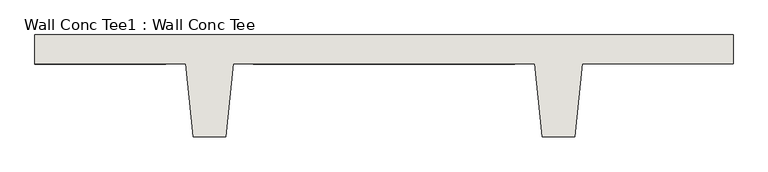
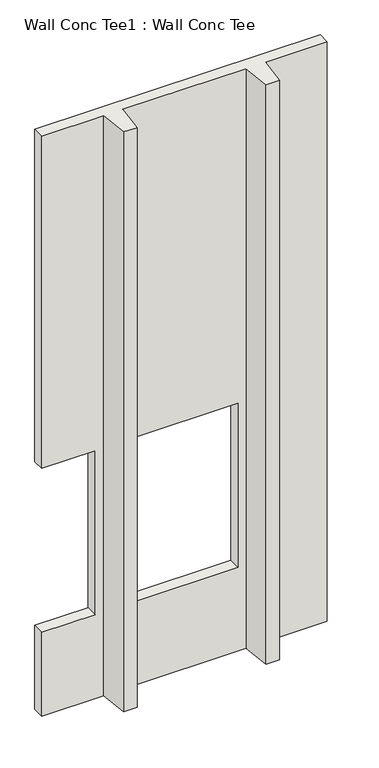
"""IFC4 building model written with IfcOpenShell, lengths in millimetres: wall geometry, Wall Conc Tee1 : Wall Conc Tee."""

from ifc_helpers import new_model, si_unit, origin, place, context, project, spatial, faceted_brep, source, transform, mapped, element, save


def wall_conc_tee1_wall_conc_tee_c948e8d9(model_context):
    return source(origin(), model_context, "Body", "Brep", [
        faceted_brep([(210173.0728488, 159042.8596581, 5376.1679688), (207734.6728488, 159042.8596581, 5376.1679688), (207734.6728488, 158941.2596581, 5376.1679688), (208261.7228488, 158941.2596581, 5376.1679688), (208287.1228488, 158687.2596581, 5376.1679688), (208401.4228488, 158687.2596581, 5376.1679688), (208426.8228488, 158941.2596581, 5376.1679688), (209480.9228488, 158941.2596581, 5376.1679688), (209506.3228488, 158687.2596581, 5376.1679688), (209620.6228488, 158687.2596581, 5376.1679688), (209646.0228488, 158941.2596581, 5376.1679688), (210173.0728488, 158941.2596581, 5376.1679688), (210173.0728488, 159042.8596581, 143.7592564), (210173.0728488, 158941.2596581, 143.7592564), (209646.0228488, 158941.2596581, 143.7592564), (209620.6228488, 158687.2596581, 143.7592564), (209506.3228488, 158687.2596581, 143.7592564), (209480.9228488, 158941.2596581, 143.7592564), (208426.8228488, 158941.2596581, 143.7592564), (208401.4228488, 158687.2596581, 143.7592564), (208287.1228488, 158687.2596581, 143.7592564), (208261.7228488, 158941.2596581, 143.7592564), (207734.6728488, 158941.2596581, 143.7592564), (207734.6728488, 159042.8596581, 143.7592564), (207734.6728488, 159042.8596581, 899.4179688), (208191.8728488, 159042.8596581, 899.4179688), (208191.8728488, 159042.8596581, 2378.9679688), (207734.6728488, 159042.8596581, 2378.9679688), (208496.6728488, 159042.8596581, 2378.9592564), (208496.6728488, 159042.8596581, 899.4092564), (209411.0728488, 159042.8596581, 899.4092564), (209411.0728488, 159042.8596581, 2378.9592564), (207734.6728488, 158941.2596581, 2378.9679688), (207734.6728488, 158941.2596581, 899.4179688), (208191.8728488, 158941.2596581, 2378.9679688), (208191.8728488, 158941.2596581, 899.4179688), (208496.6728488, 158941.2596581, 899.4092564), (208496.6728488, 158941.2596581, 2378.9592564), (209411.0728488, 158941.2596581, 2378.9592564), (209411.0728488, 158941.2596581, 899.4092564)], [[[0, 1, 2, 3, 4, 5, 6, 7, 8, 9, 10, 11]], [[12, 13, 14, 15, 16, 17, 18, 19, 20, 21, 22, 23]], [[1, 0, 12, 23, 24, 25, 26, 27], [28, 29, 30, 31]], [[2, 1, 27, 32]], [[23, 22, 33, 24]], [[3, 2, 32, 34, 35, 33, 22, 21]], [[4, 3, 21, 20]], [[5, 4, 20, 19]], [[6, 5, 19, 18]], [[7, 6, 18, 17], [36, 37, 38, 39]], [[8, 7, 17, 16]], [[9, 8, 16, 15]], [[10, 9, 15, 14]], [[11, 10, 14, 13]], [[0, 11, 13, 12]], [[35, 25, 24, 33]], [[25, 35, 34, 26]], [[26, 34, 32, 27]], [[28, 37, 36, 29]], [[29, 36, 39, 30]], [[30, 39, 38, 31]], [[37, 28, 31, 38]]]),
    ])


if __name__ == "__main__":
    model = new_model("IFC4")
    model_context = context("Model", 3, world=origin())
    ifc_project = project(units=[si_unit("LENGTHUNIT", "METRE", prefix="MILLI")], contexts=[model_context])
    site = spatial("IfcSite", under=ifc_project)
    building = spatial("IfcBuilding", under=site)
    placement = place(None, origin())
    wall_conc_tee1_wall_conc_tee_shape = wall_conc_tee1_wall_conc_tee_c948e8d9(model_context)
    element("IfcWall", 1, ObjectType="Wall Conc Tee1 : Wall Conc Tee", at=placement, inside=building, context=model_context, shape_type="MappedRepresentation", body=[
        mapped(wall_conc_tee1_wall_conc_tee_shape, transform((0.0, 0.0, 0.0), x_axis=(1.0, 0.0, 0.0), y_axis=(0.0, 1.0, 0.0), z_axis=(0.0, 0.0, 1.0))),
    ])
    save(model, "model.ifc")
